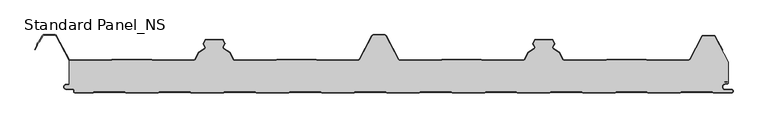
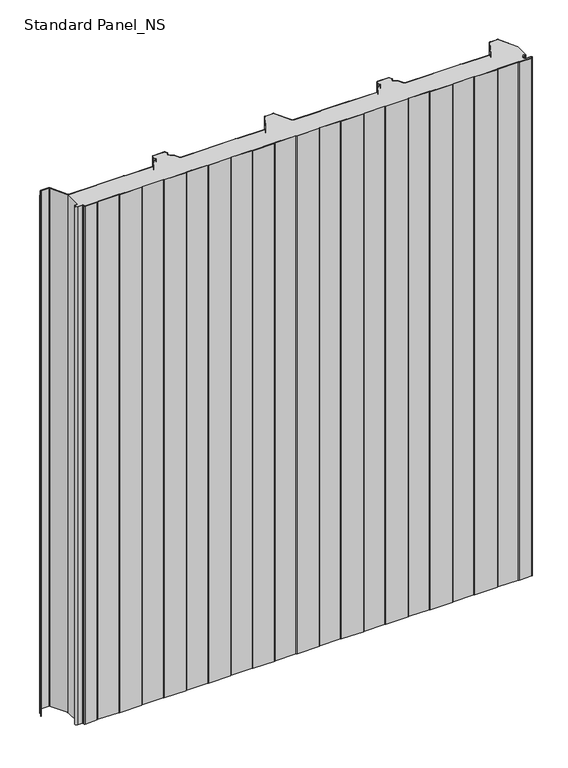
"""IFC4 building model written with IfcOpenShell, lengths in millimetres: proxy geometry, Standard Panel_NS."""

from ifc_helpers import new_model, si_unit, point, frame_2d, origin, origin_with_axes, place, context, project, spatial, polyline, circle_curve, trimmed, segment, composite_curve, outline, extrude, source, transform, mapped, element, save


def standard_panel_ns_f208ada4(model_context):
    return source(origin(), model_context, "Body", "SweptSolid", [
        extrude(outline(composite_curve([segment(polyline([(-467.4564897, 49.2), (-406.1619183, 49.2), (-403.7802849, 50.1683897), (-343.9889442, 50.1683897), (-341.6073108, 49.2), (-279.468044, 49.2)]), True, "CONTINUOUS"), segment(trimmed(circle_curve(frame_2d((-279.4708299, 50.9999978)), 1.8), [point((-279.468044, 49.2))], [point((-277.8815327, 50.1549332))], True, "CARTESIAN"), True, "CONTINUOUS"), segment(polyline([(-277.8815327, 50.1549332), (-271.7571118, 61.6730163), (-262.7737199, 67.3606338)]), True, "CONTINUOUS"), segment(trimmed(circle_curve(frame_2d((-263.7365884, 68.8814507)), 1.8), [point((-262.7737199, 67.3606338))], [point((-262.1275659, 69.6883253))], True, "CARTESIAN"), True, "CONTINUOUS"), segment(polyline([(-262.1275659, 69.6883253), (-264.7246358, 74.8672514), (-261.74715, 80.4669529), (-236.2531818, 80.4669529), (-233.2700817, 74.8564238), (-235.8618916, 69.6882431)]), True, "CONTINUOUS"), segment(trimmed(circle_curve(frame_2d((-234.2528851, 68.8813366)), 1.8), [point((-235.8618916, 69.6882431))], [point((-235.2157839, 67.3605387))], True, "CARTESIAN"), True, "CONTINUOUS"), segment(polyline([(-235.2157839, 67.3605387), (-226.2491619, 61.6832892), (-220.1195157, 50.1548264)]), True, "CONTINUOUS"), segment(trimmed(circle_curve(frame_2d((-218.5304355, 50.9997352)), 1.7997352), [point((-220.1195157, 50.1548264))], [point((-218.5304355, 49.2))], True, "CARTESIAN"), True, "CONTINUOUS"), segment(polyline([(-218.5304355, 49.2), (-156.392871, 49.2), (-154.0112306, 50.1683897), (-94.2198897, 50.1683897), (-91.8382499, 49.2), (-30.5436784, 49.2)]), True, "CONTINUOUS"), segment(trimmed(circle_curve(frame_2d((-30.5436784, 51.75)), 2.55), [point((-30.5436784, 49.2))], [point((-28.292162, 50.5528475))], True, "CARTESIAN"), True, "CONTINUOUS"), segment(polyline([(-28.292162, 50.5528475), (-9.1889275, 86.4808064)]), True, "CONTINUOUS"), segment(trimmed(circle_curve(frame_2d((-7.3788849, 85.5183897)), 2.05), [point((-9.1889275, 86.4808064))], [point((-7.3788849, 87.5683897))], False, "CARTESIAN"), True, "CONTINUOUS"), segment(polyline([(-7.3788849, 87.5683897), (9.3787035, 87.5683897)]), True, "CONTINUOUS"), segment(trimmed(circle_curve(frame_2d((9.3787035, 85.5183897)), 2.05), [point((9.3787035, 87.5683897))], [point((11.188746, 86.4808064))], False, "CARTESIAN"), True, "CONTINUOUS"), segment(polyline([(11.188746, 86.4808064), (30.2919806, 50.5528475)]), True, "CONTINUOUS"), segment(trimmed(circle_curve(frame_2d((32.543497, 51.75)), 2.55), [point((30.2919806, 50.5528475))], [point((32.543497, 49.2))], True, "CARTESIAN"), True, "CONTINUOUS"), segment(polyline([(32.543497, 49.2), (94.3380684, 49.2), (96.7197082, 50.1683897), (156.5110491, 50.1683897), (158.8926889, 49.2), (220.3454724, 49.2)]), True, "CONTINUOUS"), segment(trimmed(circle_curve(frame_2d((220.5302541, 50.9904904)), 1.8), [point((220.3454724, 49.2))], [point((222.1195681, 50.1454573))], True, "CARTESIAN"), True, "CONTINUOUS"), segment(polyline([(222.1195681, 50.1454573), (228.2489804, 61.6734802), (237.2156025, 67.3507298)]), True, "CONTINUOUS"), segment(trimmed(circle_curve(frame_2d((236.2527038, 68.8715276)), 1.8), [point((237.2156025, 67.3507298))], [point((237.8617103, 69.6784342))], True, "CARTESIAN"), True, "CONTINUOUS"), segment(polyline([(237.8617103, 69.6784342), (235.2699012, 74.8466132), (238.2529825, 80.4573069), (263.7468294, 80.4573069), (266.7244548, 74.8574433), (264.1273846, 69.6785164)]), True, "CONTINUOUS"), segment(trimmed(circle_curve(frame_2d((265.7364071, 68.8716418)), 1.8), [point((264.1273846, 69.6785164))], [point((264.7735386, 67.3508249))], True, "CARTESIAN"), True, "CONTINUOUS"), segment(polyline([(264.7735386, 67.3508249), (273.7569305, 61.6632074), (279.8813514, 50.1451242)]), True, "CONTINUOUS"), segment(trimmed(circle_curve(frame_2d((281.4706486, 50.9901889)), 1.8), [point((279.8813514, 50.1451242))], [point((281.6583282, 49.2))], True, "CARTESIAN"), True, "CONTINUOUS"), segment(polyline([(281.6583282, 49.2), (343.5388467, 49.2), (346.5543556, 50.1683897), (406.3541332, 50.1683897), (409.30759, 49.2), (470.7064911, 49.2)]), True, "CONTINUOUS"), segment(trimmed(circle_curve(frame_2d((470.7064911, 51.7198823)), 2.5198823), [point((470.7064911, 49.2))], [point((472.9163892, 50.5090325))], True, "CARTESIAN"), True, "CONTINUOUS"), segment(polyline([(472.9163892, 50.5090325), (491.4348615, 85.4813607)]), True, "CONTINUOUS"), segment(trimmed(circle_curve(frame_2d((493.2446093, 84.5183897)), 2.05), [point((491.4348615, 85.4813607))], [point((493.2446093, 86.5683897))], False, "CARTESIAN"), True, "CONTINUOUS"), segment(polyline([(493.2446093, 86.5683897), (508.7552093, 86.5683897)]), True, "CONTINUOUS"), segment(trimmed(circle_curve(frame_2d((508.7552093, 84.5183897)), 2.05), [point((508.7552093, 86.5683897))], [point((510.5652518, 85.4808064))], False, "CARTESIAN"), True, "CONTINUOUS"), segment(polyline([(510.5652518, 85.4808064), (531.1556154, 46.7559646), (531.1556156, 15.3551162)]), True, "CONTINUOUS"), segment(trimmed(circle_curve(frame_2d((529.5058468, 15.3274964)), 1.65), [point((531.1556156, 15.3551162))], [point((529.7378129, 16.9611095))], True, "CARTESIAN"), True, "CONTINUOUS"), segment(polyline([(529.7378129, 16.9611095), (524.8136969, 17.660313), (524.7012285, 16.8682582), (529.6253445, 16.1690547)]), True, "CONTINUOUS"), segment(trimmed(circle_curve(frame_2d((529.5058468, 15.3274964)), 0.85), [point((529.6253445, 16.1690547))], [point((529.6534477, 14.4904098))], False, "CARTESIAN"), True, "CONTINUOUS"), segment(polyline([(529.6534477, 14.4904098), (525.3286815, 13.7278368)]), True, "CONTINUOUS"), segment(trimmed(circle_curve(frame_2d((526.1535103, 9.05)), 4.75), [point((525.3286815, 13.7278368))], [point((526.1535103, 4.3))], True, "CARTESIAN"), True, "CONTINUOUS"), segment(polyline([(526.1535103, 4.3), (535.6535103, 4.3)]), True, "CONTINUOUS"), segment(trimmed(circle_curve(frame_2d((535.6535103, 2.55)), 1.75), [point((535.6535103, 4.3))], [point((535.6535103, 0.8))], False, "CARTESIAN"), True, "CONTINUOUS"), segment(polyline([(535.6535103, 0.8), (508.0955244, 0.8), (506.3634736, 1.8), (459.8988565, 1.8), (458.1668057, 0.8), (409.0955244, 0.8), (407.3634736, 1.8), (360.8988565, 1.8), (359.1668057, 0.8), (310.0955244, 0.8), (308.3634736, 1.8), (261.8988565, 1.8), (260.1668057, 0.8), (211.097319, 0.8), (209.3228176, 1.8), (162.8988565, 1.8), (161.1668057, 0.8), (112.0955244, 0.8), (110.3634736, 1.8), (63.8988565, 1.8), (62.1668057, 0.8), (13.0955244, 0.8), (11.3634736, 1.8), (-35.1011435, 1.8), (-36.8331943, 0.8), (-85.902681, 0.8), (-87.6771824, 1.8), (-134.1011435, 1.8), (-135.8331943, 0.8), (-184.902681, 0.8), (-186.6771824, 1.8), (-233.1011435, 1.8), (-234.8331943, 0.8), (-283.9044756, 0.8), (-285.6365264, 1.8), (-332.1011435, 1.8), (-333.8331943, 0.786297), (-382.902681, 0.786297), (-384.6771824, 1.786297), (-431.1011435, 1.786297), (-432.8331943, 0.786297), (-459.8464897, 0.786297)]), True, "CONTINUOUS"), segment(trimmed(circle_curve(frame_2d((-459.8464897, 2.036297)), 1.25), [point((-459.8464897, 0.786297))], [point((-461.0964897, 2.036297))], False, "CARTESIAN"), True, "CONTINUOUS"), segment(polyline([(-461.0964897, 2.036297), (-461.0964897, 3.436297)]), True, "CONTINUOUS"), segment(trimmed(circle_curve(frame_2d((-463.8464897, 3.436297)), 2.75), [point((-461.0964897, 3.436297))], [point((-463.8464897, 6.186297))], True, "CARTESIAN"), True, "CONTINUOUS"), segment(polyline([(-463.8464897, 6.186297), (-473.6464897, 6.186297)]), True, "CONTINUOUS"), segment(trimmed(circle_curve(frame_2d((-473.6464897, 9.036297)), 2.85), [point((-473.6464897, 6.186297))], [point((-474.2876002, 11.8132517))], False, "CARTESIAN"), True, "CONTINUOUS"), segment(polyline([(-474.2876002, 11.8132517), (-468.8443846, 13.0699171), (-468.8443846, 49.6107833)]), True, "CONTINUOUS"), segment(trimmed(circle_curve(frame_2d((-467.4564897, 51.75)), 2.55), [point((-468.8443846, 49.6107833))], [point((-467.4564897, 49.2))], True, "CARTESIAN"), True, "CONTINUOUS")], self_intersect=False)), origin_with_axes(), (0.0, 0.0, 1.0), 1219.2),
        extrude(outline(composite_curve([segment(polyline([(535.6535103, 0.0), (507.881165, 0.0), (506.1491142, 1.0), (460.1132158, 1.0), (458.381165, 0.0), (408.881165, 0.0), (407.1491142, 1.0), (361.1132158, 1.0), (359.381165, 0.0), (309.881165, 0.0), (308.1491142, 1.0), (262.1132158, 1.0), (260.381165, 0.0), (210.8874211, 0.0), (209.1129196, 1.0), (163.1132158, 1.0), (161.381165, 0.0), (111.881165, 0.0), (110.1491142, 1.0), (64.1132158, 1.0), (62.381165, 0.0), (12.881165, 0.0), (11.1491142, 1.0), (-34.8867842, 1.0), (-36.618835, 0.0), (-86.1125789, 0.0), (-87.8870804, 1.0), (-133.8867842, 1.0), (-135.618835, 0.0), (-185.1125789, 0.0), (-186.8870804, 1.0), (-232.8867842, 1.0), (-234.618835, 0.0), (-284.118835, 0.0), (-285.8508858, 1.0), (-331.8867842, 1.0), (-333.618835, -0.013703), (-383.1125789, -0.013703), (-384.8870804, 0.986297), (-430.8867842, 0.986297), (-432.618835, -0.013703), (-459.8464897, -0.013703)]), True, "CONTINUOUS"), segment(trimmed(circle_curve(frame_2d((-459.8464897, 2.036297)), 2.05), [point((-459.8464897, -0.013703))], [point((-461.8964897, 2.036297))], False, "CARTESIAN"), True, "CONTINUOUS"), segment(polyline([(-461.8964897, 2.036297), (-461.8964897, 3.436297)]), True, "CONTINUOUS"), segment(trimmed(circle_curve(frame_2d((-463.8464897, 3.436297)), 1.95), [point((-461.8964897, 3.436297))], [point((-463.8464897, 5.386297))], True, "CARTESIAN"), True, "CONTINUOUS"), segment(polyline([(-463.8464897, 5.386297), (-473.6464897, 5.386297)]), True, "CONTINUOUS"), segment(trimmed(circle_curve(frame_2d((-473.6464897, 9.036297)), 3.65), [point((-473.6464897, 5.386297))], [point((-474.4675611, 12.5927478))], False, "CARTESIAN"), True, "CONTINUOUS"), segment(polyline([(-474.4675611, 12.5927478), (-469.0243454, 13.8494131), (-468.8443846, 13.0699171), (-474.2876002, 11.8132517)]), True, "CONTINUOUS"), segment(trimmed(circle_curve(frame_2d((-473.6464897, 9.036297)), 2.85), [point((-474.2876002, 11.8132517))], [point((-473.6464897, 6.186297))], True, "CARTESIAN"), True, "CONTINUOUS"), segment(polyline([(-473.6464897, 6.186297), (-463.8464897, 6.186297)]), True, "CONTINUOUS"), segment(trimmed(circle_curve(frame_2d((-463.8464897, 3.436297)), 2.75), [point((-463.8464897, 6.186297))], [point((-461.0964897, 3.436297))], False, "CARTESIAN"), True, "CONTINUOUS"), segment(polyline([(-461.0964897, 3.436297), (-461.0964897, 2.036297)]), True, "CONTINUOUS"), segment(trimmed(circle_curve(frame_2d((-459.8464897, 2.036297)), 1.25), [point((-461.0964897, 2.036297))], [point((-459.8464897, 0.786297))], True, "CARTESIAN"), True, "CONTINUOUS"), segment(polyline([(-459.8464897, 0.786297), (-432.8331943, 0.786297), (-431.1011435, 1.786297), (-384.6771824, 1.786297), (-382.902681, 0.786297), (-333.8331943, 0.786297), (-332.1011435, 1.8), (-285.6365264, 1.8), (-283.9044756, 0.8), (-234.8331943, 0.8), (-233.1011435, 1.8), (-186.6771824, 1.8), (-184.902681, 0.8), (-135.8331943, 0.8), (-134.1011435, 1.8), (-87.6771824, 1.8), (-85.902681, 0.8), (-36.8331943, 0.8), (-35.1011435, 1.8), (11.3634736, 1.8), (13.0955244, 0.8), (62.1668057, 0.8), (63.8988565, 1.8), (110.3634736, 1.8), (112.0955244, 0.8), (161.1668057, 0.8), (162.8988565, 1.8), (209.3228176, 1.8), (211.097319, 0.8), (260.1668057, 0.8), (261.8988565, 1.8), (308.3634736, 1.8), (310.0955244, 0.8), (359.1668057, 0.8), (360.8988565, 1.8), (407.3634736, 1.8), (409.0955244, 0.8), (458.1668057, 0.8), (459.8988565, 1.8), (506.3634736, 1.8), (508.0955244, 0.8), (535.6535103, 0.8)]), True, "CONTINUOUS"), segment(trimmed(circle_curve(frame_2d((535.6535103, 2.55)), 1.75), [point((535.6535103, 0.8))], [point((535.6535103, 4.3))], True, "CARTESIAN"), True, "CONTINUOUS"), segment(polyline([(535.6535103, 4.3), (526.1535103, 4.3)]), True, "CONTINUOUS"), segment(trimmed(circle_curve(frame_2d((526.1535103, 9.05)), 4.75), [point((526.1535103, 4.3))], [point((525.3286815, 13.7278368))], False, "CARTESIAN"), True, "CONTINUOUS"), segment(polyline([(525.3286815, 13.7278368), (529.6534477, 14.4904098)]), True, "CONTINUOUS"), segment(trimmed(circle_curve(frame_2d((529.5058468, 15.3274964)), 0.85), [point((529.6534477, 14.4904098))], [point((529.6253445, 16.1690547))], True, "CARTESIAN"), True, "CONTINUOUS"), segment(polyline([(529.6253445, 16.1690547), (524.7012285, 16.8682582), (524.8136969, 17.660313), (529.7378129, 16.9611095)]), True, "CONTINUOUS"), segment(trimmed(circle_curve(frame_2d((529.5058468, 15.3274964)), 1.65), [point((529.7378129, 16.9611095))], [point((529.7923663, 13.7025636))], False, "CARTESIAN"), True, "CONTINUOUS"), segment(polyline([(529.7923663, 13.7025636), (525.4676, 12.9399906)]), True, "CONTINUOUS"), segment(trimmed(circle_curve(frame_2d((526.1535103, 9.05)), 3.95), [point((525.4676, 12.9399906))], [point((526.1535103, 5.1))], True, "CARTESIAN"), True, "CONTINUOUS"), segment(polyline([(526.1535103, 5.1), (535.6535103, 5.1)]), True, "CONTINUOUS"), segment(trimmed(circle_curve(frame_2d((535.6535103, 2.55)), 2.55), [point((535.6535103, 5.1))], [point((535.6535103, 0.0))], False, "CARTESIAN"), True, "CONTINUOUS")], self_intersect=False)), origin_with_axes(), (0.0, 0.0, 1.0), 1219.2),
        extrude(outline(composite_curve([segment(polyline([(-467.4564897, 50.0), (-406.318343, 50.0), (-403.9367096, 50.9683897), (-343.8325195, 50.9683897), (-341.4508861, 50.0), (-279.4687534, 50.0)]), True, "CONTINUOUS"), segment(trimmed(circle_curve(frame_2d((-279.4708299, 50.9999978)), 1.0), [point((-279.4687534, 50.0))], [point((-278.587887, 50.5305175))], True, "CARTESIAN"), True, "CONTINUOUS"), segment(polyline([(-278.587887, 50.5305175), (-272.3640204, 62.2356263), (-263.2016615, 68.0365524)]), True, "CONTINUOUS"), segment(trimmed(circle_curve(frame_2d((-263.7365884, 68.8814507)), 1.0), [point((-263.2016615, 68.0365524))], [point((-262.842687, 69.3297144))], True, "CARTESIAN"), True, "CONTINUOUS"), segment(polyline([(-262.842687, 69.3297144), (-265.393451, 74.4163001)]), True, "CONTINUOUS"), segment(trimmed(circle_curve(frame_2d((-264.4995496, 74.8645637)), 1.0), [point((-265.393451, 74.4163001))], [point((-265.3824926, 75.3340441))], False, "CARTESIAN"), True, "CONTINUOUS"), segment(polyline([(-265.3824926, 75.3340441), (-262.6508365, 80.4714183)]), True, "CONTINUOUS"), segment(trimmed(circle_curve(frame_2d((-261.3264221, 79.7671978)), 1.5), [point((-262.6508365, 80.4714183))], [point((-261.2993182, 81.2669529))], False, "CARTESIAN"), True, "CONTINUOUS"), segment(polyline([(-261.2993182, 81.2669529), (-236.6737889, 81.2669529)]), True, "CONTINUOUS"), segment(trimmed(circle_curve(frame_2d((-236.6737889, 79.7669529)), 1.5), [point((-236.6737889, 81.2669529))], [point((-235.3493606, 80.4711471))], False, "CARTESIAN"), True, "CONTINUOUS"), segment(polyline([(-235.3493606, 80.4711471), (-232.6122157, 75.3232034)]), True, "CONTINUOUS"), segment(trimmed(circle_curve(frame_2d((-233.4951679, 74.8537406)), 1.0), [point((-232.6122157, 75.3232034))], [point((-232.6012754, 74.4054592))], False, "CARTESIAN"), True, "CONTINUOUS"), segment(polyline([(-232.6012754, 74.4054592), (-235.1467776, 69.329618)]), True, "CONTINUOUS"), segment(trimmed(circle_curve(frame_2d((-234.2528851, 68.8813366)), 1.0), [point((-235.1467776, 69.329618))], [point((-234.7878289, 68.0364489))], True, "CARTESIAN"), True, "CONTINUOUS"), segment(polyline([(-234.7878289, 68.0364489), (-225.6422421, 62.2458871), (-219.413154, 50.5303966)]), True, "CONTINUOUS"), segment(trimmed(circle_curve(frame_2d((-218.5304355, 50.9997352)), 0.9997353), [point((-219.413154, 50.5303966))], [point((-218.5304355, 49.9999999))], True, "CARTESIAN"), True, "CONTINUOUS"), segment(polyline([(-218.5304355, 49.9999999), (-156.5492953, 49.9999999), (-154.1676549, 50.9683897), (-94.0634654, 50.9683897), (-91.6818255, 50.0), (-30.5436784, 50.0)]), True, "CONTINUOUS"), segment(trimmed(circle_curve(frame_2d((-30.5436784, 51.75)), 1.75), [point((-30.5436784, 50.0))], [point((-28.9985201, 50.9284248))], True, "CARTESIAN"), True, "CONTINUOUS"), segment(polyline([(-28.9985201, 50.9284248), (-9.8952855, 86.8563836)]), True, "CONTINUOUS"), segment(trimmed(circle_curve(frame_2d((-7.3788849, 85.5183897)), 2.85), [point((-9.8952855, 86.8563836))], [point((-7.3788849, 88.3683897))], False, "CARTESIAN"), True, "CONTINUOUS"), segment(polyline([(-7.3788849, 88.3683897), (9.3787035, 88.3683897)]), True, "CONTINUOUS"), segment(trimmed(circle_curve(frame_2d((9.3787035, 85.5183897)), 2.85), [point((9.3787035, 88.3683897))], [point((11.8951041, 86.8563836))], False, "CARTESIAN"), True, "CONTINUOUS"), segment(polyline([(11.8951041, 86.8563836), (30.9983387, 50.9284248)]), True, "CONTINUOUS"), segment(trimmed(circle_curve(frame_2d((32.543497, 51.75)), 1.75), [point((30.9983387, 50.9284248))], [point((32.543497, 50.0))], True, "CARTESIAN"), True, "CONTINUOUS"), segment(polyline([(32.543497, 50.0), (93.6816441, 50.0), (96.0632839, 50.9683897), (156.1674734, 50.9683897), (158.5491133, 50.0), (220.3926719, 50.0)]), True, "CONTINUOUS"), segment(trimmed(circle_curve(frame_2d((220.5302541, 50.9904904)), 1.0), [point((220.3926719, 50.0))], [point((221.4132063, 50.5210275))], True, "CARTESIAN"), True, "CONTINUOUS"), segment(polyline([(221.4132063, 50.5210275), (227.6420606, 62.2360781), (236.7876475, 68.0266399)]), True, "CONTINUOUS"), segment(trimmed(circle_curve(frame_2d((236.2527038, 68.8715276)), 1.0), [point((236.7876475, 68.0266399))], [point((237.1465963, 69.319809))], True, "CARTESIAN"), True, "CONTINUOUS"), segment(polyline([(237.1465963, 69.319809), (234.6010941, 74.3956503)]), True, "CONTINUOUS"), segment(trimmed(circle_curve(frame_2d((235.4949866, 74.8439317)), 1.0), [point((234.6010941, 74.3956503))], [point((234.6120274, 75.3133815))], False, "CARTESIAN"), True, "CONTINUOUS"), segment(polyline([(234.6120274, 75.3133815), (237.3491357, 80.4614397)]), True, "CONTINUOUS"), segment(trimmed(circle_curve(frame_2d((238.673644, 79.7572281)), 1.5000788), [point((237.3491357, 80.4614397))], [point((238.673644, 81.2573069))], False, "CARTESIAN"), True, "CONTINUOUS"), segment(polyline([(238.673644, 81.2573069), (263.3262591, 81.2573069)]), True, "CONTINUOUS"), segment(trimmed(circle_curve(frame_2d((263.3262591, 79.7573465)), 1.4999604), [point((263.3262591, 81.2573069))], [point((264.6506332, 80.4615583))], False, "CARTESIAN"), True, "CONTINUOUS"), segment(polyline([(264.6506332, 80.4615583), (267.3823077, 75.3242418)]), True, "CONTINUOUS"), segment(trimmed(circle_curve(frame_2d((266.4993683, 74.8547548)), 1.0), [point((267.3823077, 75.3242418))], [point((267.3932697, 74.4064911))], False, "CARTESIAN"), True, "CONTINUOUS"), segment(polyline([(267.3932697, 74.4064911), (264.8425057, 69.3199055)]), True, "CONTINUOUS"), segment(trimmed(circle_curve(frame_2d((265.7364071, 68.8716418)), 1.0), [point((264.8425057, 69.3199055))], [point((265.2014801, 68.0267435))], True, "CARTESIAN"), True, "CONTINUOUS"), segment(polyline([(265.2014801, 68.0267435), (274.3638391, 62.2258174), (280.5877057, 50.5207085)]), True, "CONTINUOUS"), segment(trimmed(circle_curve(frame_2d((281.4706486, 50.9901889)), 1.0), [point((280.5877057, 50.5207085))], [point((281.6103837, 50.0))], True, "CARTESIAN"), True, "CONTINUOUS"), segment(polyline([(281.6103837, 50.0), (343.3151107, 50.0), (346.3306196, 50.9683897), (406.4819392, 50.9683897), (409.435396, 50.0), (470.7064911, 50.0)]), True, "CONTINUOUS"), segment(trimmed(circle_curve(frame_2d((470.7064911, 51.7198823)), 1.7198823), [point((470.7064911, 50.0))], [point((472.2123141, 50.8889236))], True, "CARTESIAN"), True, "CONTINUOUS"), segment(polyline([(472.2123141, 50.8889236), (490.7282086, 85.8563836)]), True, "CONTINUOUS"), segment(trimmed(circle_curve(frame_2d((493.2446093, 84.5183897)), 2.85), [point((490.7282086, 85.8563836))], [point((493.2446093, 87.3683897))], False, "CARTESIAN"), True, "CONTINUOUS"), segment(polyline([(493.2446093, 87.3683897), (508.7552093, 87.3683897)]), True, "CONTINUOUS"), segment(trimmed(circle_curve(frame_2d((508.7552093, 84.5183897)), 2.85), [point((508.7552093, 87.3683897))], [point((511.2716099, 85.8563836))], False, "CARTESIAN"), True, "CONTINUOUS"), segment(polyline([(511.2716099, 85.8563836), (522.2394046, 65.2289619), (521.5330465, 64.8533847), (510.5652518, 85.4808064)]), True, "CONTINUOUS"), segment(trimmed(circle_curve(frame_2d((508.7552093, 84.5183897)), 2.05), [point((510.5652518, 85.4808064))], [point((508.7552093, 86.5683897))], True, "CARTESIAN"), True, "CONTINUOUS"), segment(polyline([(508.7552093, 86.5683897), (493.2446093, 86.5683897)]), True, "CONTINUOUS"), segment(trimmed(circle_curve(frame_2d((493.2446093, 84.5183897)), 2.05), [point((493.2446093, 86.5683897))], [point((491.4348615, 85.4813607))], True, "CARTESIAN"), True, "CONTINUOUS"), segment(polyline([(491.4348615, 85.4813607), (472.9163892, 50.5090325)]), True, "CONTINUOUS"), segment(trimmed(circle_curve(frame_2d((470.7064911, 51.7198823)), 2.5198823), [point((472.9163892, 50.5090325))], [point((470.7064911, 49.2))], False, "CARTESIAN"), True, "CONTINUOUS"), segment(polyline([(470.7064911, 49.2), (409.30759, 49.2), (406.3541332, 50.1683897), (346.4559229, 50.1683897), (343.440414, 49.2), (281.6583282, 49.2)]), True, "CONTINUOUS"), segment(trimmed(circle_curve(frame_2d((281.4706486, 50.9901889)), 1.8), [point((281.6583282, 49.2))], [point((279.8813514, 50.1451242))], False, "CARTESIAN"), True, "CONTINUOUS"), segment(polyline([(279.8813514, 50.1451242), (273.7569305, 61.6632074), (264.7735386, 67.3508249)]), True, "CONTINUOUS"), segment(trimmed(circle_curve(frame_2d((265.7364071, 68.8716418)), 1.8), [point((264.7735386, 67.3508249))], [point((264.1273846, 69.6785164))], False, "CARTESIAN"), True, "CONTINUOUS"), segment(polyline([(264.1273846, 69.6785164), (266.7244548, 74.8574433), (263.7468294, 80.4573069), (238.2529825, 80.4573069), (235.2699012, 74.8466132), (237.8617103, 69.6784342)]), True, "CONTINUOUS"), segment(trimmed(circle_curve(frame_2d((236.2527038, 68.8715276)), 1.8), [point((237.8617103, 69.6784342))], [point((237.2156025, 67.3507298))], False, "CARTESIAN"), True, "CONTINUOUS"), segment(polyline([(237.2156025, 67.3507298), (228.2489804, 61.6734802), (222.1195681, 50.1454573)]), True, "CONTINUOUS"), segment(trimmed(circle_curve(frame_2d((220.5302541, 50.9904904)), 1.8), [point((222.1195681, 50.1454573))], [point((220.3454724, 49.2))], False, "CARTESIAN"), True, "CONTINUOUS"), segment(polyline([(220.3454724, 49.2), (158.3926889, 49.2), (156.0110491, 50.1683897), (96.2197082, 50.1683897), (93.8380684, 49.2), (32.543497, 49.2)]), True, "CONTINUOUS"), segment(trimmed(circle_curve(frame_2d((32.543497, 51.75)), 2.55), [point((32.543497, 49.2))], [point((30.2919806, 50.5528475))], False, "CARTESIAN"), True, "CONTINUOUS"), segment(polyline([(30.2919806, 50.5528475), (11.188746, 86.4808064)]), True, "CONTINUOUS"), segment(trimmed(circle_curve(frame_2d((9.3787035, 85.5183897)), 2.05), [point((11.188746, 86.4808064))], [point((9.3787035, 87.5683897))], True, "CARTESIAN"), True, "CONTINUOUS"), segment(polyline([(9.3787035, 87.5683897), (-7.3788849, 87.5683897)]), True, "CONTINUOUS"), segment(trimmed(circle_curve(frame_2d((-7.3788849, 85.5183897)), 2.05), [point((-7.3788849, 87.5683897))], [point((-9.1889275, 86.4808064))], True, "CARTESIAN"), True, "CONTINUOUS"), segment(polyline([(-9.1889275, 86.4808064), (-28.292162, 50.5528475)]), True, "CONTINUOUS"), segment(trimmed(circle_curve(frame_2d((-30.5436784, 51.75)), 2.55), [point((-28.292162, 50.5528475))], [point((-30.5436784, 49.2))], False, "CARTESIAN"), True, "CONTINUOUS"), segment(polyline([(-30.5436784, 49.2), (-91.8382499, 49.2), (-94.2198897, 50.1683897), (-154.0112306, 50.1683897), (-156.392871, 49.2), (-218.5304355, 49.2)]), True, "CONTINUOUS"), segment(trimmed(circle_curve(frame_2d((-218.5304355, 50.9997352)), 1.7997352), [point((-218.5304355, 49.2))], [point((-220.1195157, 50.1548264))], False, "CARTESIAN"), True, "CONTINUOUS"), segment(polyline([(-220.1195157, 50.1548264), (-226.2491619, 61.6832892), (-235.2157839, 67.3605387)]), True, "CONTINUOUS"), segment(trimmed(circle_curve(frame_2d((-234.2528851, 68.8813366)), 1.8), [point((-235.2157839, 67.3605387))], [point((-235.8618916, 69.6882431))], False, "CARTESIAN"), True, "CONTINUOUS"), segment(polyline([(-235.8618916, 69.6882431), (-233.2700817, 74.8564238), (-236.2531818, 80.4669529), (-261.74715, 80.4669529), (-264.7246358, 74.8672514), (-262.1275659, 69.6883253)]), True, "CONTINUOUS"), segment(trimmed(circle_curve(frame_2d((-263.7365884, 68.8814507)), 1.8), [point((-262.1275659, 69.6883253))], [point((-262.7737199, 67.3606338))], False, "CARTESIAN"), True, "CONTINUOUS"), segment(polyline([(-262.7737199, 67.3606338), (-271.7571118, 61.6730163), (-277.8815327, 50.1549332)]), True, "CONTINUOUS"), segment(trimmed(circle_curve(frame_2d((-279.4708299, 50.9999978)), 1.8), [point((-277.8815327, 50.1549332))], [point((-279.468044, 49.2))], False, "CARTESIAN"), True, "CONTINUOUS"), segment(polyline([(-279.468044, 49.2), (-341.6073108, 49.2), (-343.9889442, 50.1683897), (-403.7802849, 50.1683897), (-406.1619183, 49.2), (-467.4564897, 49.2)]), True, "CONTINUOUS"), segment(trimmed(circle_curve(frame_2d((-467.4564897, 51.75)), 2.55), [point((-467.4564897, 49.2))], [point((-469.7080061, 50.5528475))], False, "CARTESIAN"), True, "CONTINUOUS"), segment(polyline([(-469.7080061, 50.5528475), (-488.8112406, 86.4808064)]), True, "CONTINUOUS"), segment(trimmed(circle_curve(frame_2d((-490.6212832, 85.5183897)), 2.05), [point((-488.8112406, 86.4808064))], [point((-490.6212832, 87.5683897))], True, "CARTESIAN"), True, "CONTINUOUS"), segment(polyline([(-490.6212832, 87.5683897), (-507.3620907, 87.5683897)]), True, "CONTINUOUS"), segment(trimmed(circle_curve(frame_2d((-507.3620907, 85.5183897)), 2.05), [point((-507.3620907, 87.5683897))], [point((-509.1721333, 86.4808064))], True, "CARTESIAN"), True, "CONTINUOUS"), segment(polyline([(-509.1721333, 86.4808064), (-514.1174305, 77.1800551), (-516.4385398, 74.9723908), (-517.0120726, 71.7360251), (-520.1399217, 65.8533964), (-520.8462798, 66.2289737), (-517.7777505, 72.000038), (-517.1803883, 75.3708693), (-514.7628407, 77.6702585), (-509.8784914, 86.8563836)]), True, "CONTINUOUS"), segment(trimmed(circle_curve(frame_2d((-507.3620907, 85.5183897)), 2.85), [point((-509.8784914, 86.8563836))], [point((-507.3620907, 88.3683897))], False, "CARTESIAN"), True, "CONTINUOUS"), segment(polyline([(-507.3620907, 88.3683897), (-490.6212832, 88.3683897)]), True, "CONTINUOUS"), segment(trimmed(circle_curve(frame_2d((-490.6212832, 85.5183897)), 2.85), [point((-490.6212832, 88.3683897))], [point((-488.1048826, 86.8563836))], False, "CARTESIAN"), True, "CONTINUOUS"), segment(polyline([(-488.1048826, 86.8563836), (-469.001648, 50.9284248)]), True, "CONTINUOUS"), segment(trimmed(circle_curve(frame_2d((-467.4564897, 51.75)), 1.75), [point((-469.001648, 50.9284248))], [point((-467.4564897, 50.0))], True, "CARTESIAN"), True, "CONTINUOUS")], self_intersect=False)), origin_with_axes(), (0.0, 0.0, 1.0), 1219.2),
    ])


if __name__ == "__main__":
    model = new_model("IFC4")
    model_context = context("Model", 3, world=origin())
    ifc_project = project(units=[si_unit("LENGTHUNIT", "METRE", prefix="MILLI")], contexts=[model_context])
    site = spatial("IfcSite", under=ifc_project)
    building = spatial("IfcBuilding", under=site)
    placement = place(None, origin())
    standard_panel_ns_shape = standard_panel_ns_f208ada4(model_context)
    element("IfcBuildingElementProxy", 1, Name="Standard Panel_NS", ObjectType="Standard Panel_NS", at=placement, inside=building, context=model_context, shape_type="MappedRepresentation", body=[
        mapped(standard_panel_ns_shape, transform((0.0, 0.0, 0.0), x_axis=(1.0, 0.0, 0.0), y_axis=(0.0, 1.0, 0.0), z_axis=(0.0, 0.0, 1.0))),
    ])
    save(model, "model.ifc")
